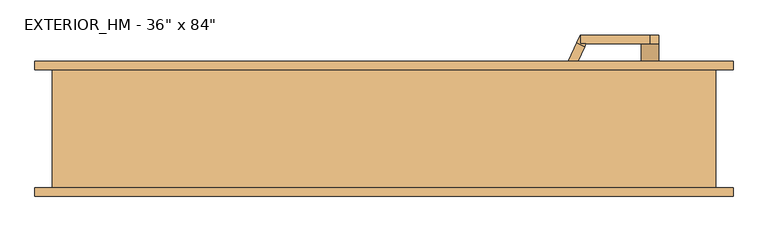
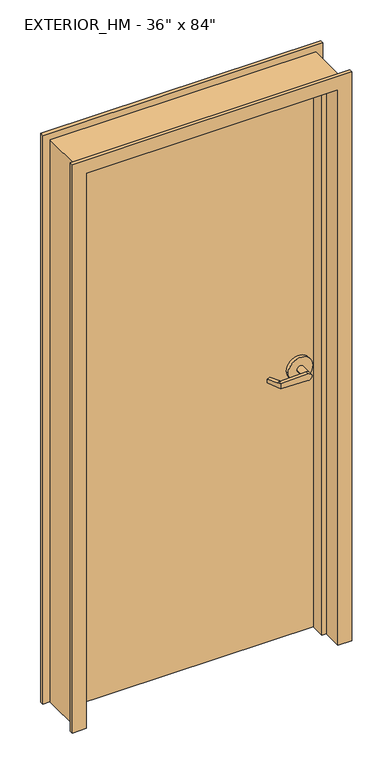
"""IFC4 building model written with IfcOpenShell, lengths in millimetres: door geometry."""

from ifc_helpers import new_model, si_unit, frame, origin, origin_with_axes, place, context, project, spatial, polyline, circle_curve, outline, extrude, faceted_brep, source, transform, mapped, element, save
from ifc_brep_helpers import plane_surface, cylinder_surface, advanced_brep


def door_41bbce32(model_context):
    return source(origin(), model_context, "Body", "SolidModel", [
        advanced_brep(
        [(291.892857, -18.0476392, 1006.475), (275.7911012, 16.4826875, 1009.65), (275.7911012, 16.4826875, 1022.35), (291.892857, -18.0476392, 1025.525), (293.8407923, -22.225, 1025.525), (293.8407923, -22.225, 1006.475), (285.75, -34.925, 1025.525), (280.3827481, -23.4148911, 1025.525), (264.2809923, 11.1154356, 1022.35), (264.2809923, 11.1154356, 1009.65), (280.3827481, -23.4148911, 1006.475), (285.75, -34.925, 1006.475), (285.75, -22.225, 1006.475), (285.75, -22.225, 1025.525), (386.9525418, -34.925, 1003.3062209), (386.9525418, -34.925, 1028.6937791), (386.9525418, -22.225, 1028.6937791), (374.65, -22.225, 1016.0), (386.9525418, -22.225, 1003.3062209), (400.05, -22.225, 1016.0), (400.05, 15.875, 1016.0), (374.65, 15.875, 1016.0), (431.8, 15.875, 1016.0), (342.9, 15.875, 1016.0), (431.8, 28.575, 1016.0), (342.9, 28.575, 1016.0)],
        [
            (0, 1),
            (1, 2),
            (2, 3),
            (3, 4),
            (4, 5),
            (5, 0),
            (6, 7),
            (7, 8),
            (8, 9),
            (9, 10),
            (10, 11),
            (11, 6),
            (10, 0),
            (5, 12),
            (12, 11),
            (9, 1),
            (8, 2),
            (7, 3),
            (6, 13),
            (13, 4),
            (11, 14),
            (14, 15, circle_curve(frame((387.35, -34.925, 1016.0), z_axis=(0.0, -1.0, 0.0), x_axis=(-1.0, 0.0, 0.0)), 12.7)),
            (15, 6),
            (13, 16),
            (16, 17, circle_curve(frame((387.35, -22.225, 1016.0), z_axis=(0.0, -1.0, 0.0), x_axis=(-1.0, 0.0, 0.0)), 12.7)),
            (17, 18, circle_curve(frame((387.35, -22.225, 1016.0), z_axis=(0.0, -1.0, 0.0), x_axis=(-1.0, 0.0, 0.0)), 12.7)),
            (18, 12),
            (18, 14),
            (18, 19, circle_curve(frame((387.35, -22.225, 1016.0), z_axis=(0.0, -1.0, 0.0), x_axis=(-1.0, 0.0, 0.0)), 12.7)),
            (19, 16, circle_curve(frame((387.35, -22.225, 1016.0), z_axis=(0.0, -1.0, 0.0), x_axis=(-1.0, 0.0, 0.0)), 12.7)),
            (16, 15),
            (19, 20),
            (20, 21, circle_curve(frame((387.35, 15.875, 1016.0), z_axis=(0.0, -1.0, 0.0), x_axis=(-1.0, 0.0, 0.0)), 12.7)),
            (21, 17),
            (21, 20, circle_curve(frame((387.35, 15.875, 1016.0), z_axis=(0.0, -1.0, 0.0), x_axis=(-1.0, 0.0, 0.0)), 12.7)),
            (22, 23, circle_curve(frame((387.35, 15.875, 1016.0), z_axis=(0.0, -1.0, 0.0), x_axis=(-1.0, 0.0, 0.0)), 44.45)),
            (23, 22, circle_curve(frame((387.35, 15.875, 1016.0), z_axis=(0.0, -1.0, 0.0), x_axis=(-1.0, 0.0, 0.0)), 44.45)),
            (24, 25, circle_curve(frame((387.35, 28.575, 1016.0), z_axis=(0.0, 1.0, 0.0), x_axis=(-1.0, 0.0, 0.0)), 44.45)),
            (25, 24, circle_curve(frame((387.35, 28.575, 1016.0), z_axis=(0.0, 1.0, 0.0), x_axis=(-1.0, 0.0, 0.0)), 44.45)),
            (22, 24),
            (25, 23),
        ],
        [
            plane_surface(frame((297.2601089, -29.5577481, 1006.475), z_axis=(0.9063077870366494, 0.4226182617407007, 0.0), x_axis=(0.0, 0.0, -1.0))),
            plane_surface(frame((285.75, -34.925, 1006.475), z_axis=(-0.9063077870366494, -0.4226182617407007, 0.0), x_axis=(0.0, 0.0, 1.0))),
            plane_surface(frame((297.2601089, -29.5577481, 1006.475), z_axis=(0.0, 0.0, -1.0000000000000002), x_axis=(-0.9063077870366494, -0.42261826174070094, 0.0))),
            plane_surface(frame((291.892857, -18.0476392, 1006.475), z_axis=(-0.035096536341209586, 0.07526476506963879, -0.9965457582448799), x_axis=(-0.9063077870366494, -0.42261826174070094, 0.0))),
            plane_surface(frame((275.7911012, 16.4826875, 1009.65), z_axis=(-0.42261826174070094, 0.9063077870366494, 0.0), x_axis=(-0.9063077870366494, -0.42261826174070094, 0.0))),
            plane_surface(frame((275.7911012, 16.4826875, 1022.35), z_axis=(-0.03509653634121044, 0.07526476506964089, 0.9965457582448796), x_axis=(-0.9063077870366495, -0.42261826174070033, 0.0))),
            plane_surface(frame((291.892857, -18.0476392, 1025.525), z_axis=(0.0, 0.0, 1.0000000000000002), x_axis=(-0.9063077870366494, -0.42261826174070094, 0.0))),
            plane_surface(frame((285.75, -34.925, 1006.475), z_axis=(0.0, -1.0, 0.0), x_axis=(0.9995101626549141, 0.0, -0.03129592225110647))),
            plane_surface(frame((285.75, -22.225, 1006.475), z_axis=(0.0, 1.0, 0.0), x_axis=(-0.9995101626549141, 0.0, 0.03129592225110647))),
            plane_surface(frame((285.75, -34.925, 1006.475), z_axis=(-0.03129592225110647, 0.0, -0.9995101626549141), x_axis=(0.0, 1.0, 0.0))),
            cylinder_surface(frame((387.35, -22.225, 1016.0), z_axis=(0.0, -1.0, 0.0), x_axis=(-1.0, 0.0, 0.0)), 12.7),
            plane_surface(frame((386.9525418, -34.925, 1028.6937791), z_axis=(-0.03129592225110282, 0.0, 0.9995101626549142), x_axis=(0.0, 1.0, 0.0))),
            cylinder_surface(frame((387.35, 15.875, 1016.0), z_axis=(0.0, -1.0, 0.0), x_axis=(-1.0, 0.0, 0.0)), 12.7),
            plane_surface(frame((342.9, 15.875, 1016.0), z_axis=(0.0, -1.0, 0.0), x_axis=(0.0, 0.0, -1.0))),
            plane_surface(frame((342.9, 28.575, 1016.0), z_axis=(0.0, 1.0, 0.0), x_axis=(0.0, 0.0, 1.0))),
            cylinder_surface(frame((387.35, 28.575, 1016.0), z_axis=(0.0, -1.0, 0.0), x_axis=(-1.0, 0.0, 0.0)), 44.45),
        ],
        [
            (0, [[1, 2, 3, 4, 5, 6]]),
            (1, [[7, 8, 9, 10, 11, 12]]),
            (2, [[-11, 13, -6, 14, 15]]),
            (3, [[-1, -13, -10, 16]]),
            (4, [[-2, -16, -9, 17]]),
            (5, [[-3, -17, -8, 18]]),
            (6, [[-7, 19, 20, -4, -18]]),
            (7, [[21, 22, 23, -12]]),
            (8, [[24, 25, 26, 27, -14, -5, -20]]),
            (9, [[-21, -15, -27, 28]]),
            (10, [[-22, -28, 29, 30, 31]]),
            (11, [[-23, -31, -24, -19]]),
            (12, [[32, 33, 34, -25, -30]]),
            (12, [[-32, -29, -26, -34, 35]]),
            (13, [[36, 37], [-33, -35]]),
            (14, [[38, 39]]),
            (15, [[-36, 40, -39, 41]]),
            (15, [[-37, -41, -38, -40]]),
        ],
    ),
        advanced_brep(
        [(291.892857, 119.6476392, 1025.525), (275.7911012, 85.1173125, 1022.35), (275.7911012, 85.1173125, 1009.65), (291.892857, 119.6476392, 1006.475), (293.8407923, 123.825, 1006.475), (293.8407923, 123.825, 1025.525), (285.75, 136.525, 1006.475), (280.3827481, 125.0148911, 1006.475), (264.2809923, 90.4845644, 1009.65), (264.2809923, 90.4845644, 1022.35), (280.3827481, 125.0148911, 1025.525), (285.75, 136.525, 1025.525), (285.75, 123.825, 1025.525), (285.75, 123.825, 1006.475), (386.9525418, 136.525, 1028.6937791), (386.9525418, 136.525, 1003.3062209), (386.9525418, 123.825, 1003.3062209), (374.65, 123.825, 1016.0), (386.9525418, 123.825, 1028.6937791), (400.05, 123.825, 1016.0), (400.05, 85.725, 1016.0), (374.65, 85.725, 1016.0), (431.8, 85.725, 1016.0), (342.9, 85.725, 1016.0), (431.8, 73.025, 1016.0), (342.9, 73.025, 1016.0)],
        [
            (0, 1),
            (1, 2),
            (2, 3),
            (3, 4),
            (4, 5),
            (5, 0),
            (6, 7),
            (7, 8),
            (8, 9),
            (9, 10),
            (10, 11),
            (11, 6),
            (10, 0),
            (5, 12),
            (12, 11),
            (9, 1),
            (8, 2),
            (7, 3),
            (6, 13),
            (13, 4),
            (11, 14),
            (14, 15, circle_curve(frame((387.35, 136.525, 1016.0), z_axis=(0.0, 1.0, 0.0), x_axis=(-1.0, 0.0, 0.0)), 12.7)),
            (15, 6),
            (13, 16),
            (16, 17, circle_curve(frame((387.35, 123.825, 1016.0), z_axis=(0.0, 1.0, 0.0), x_axis=(-1.0, 0.0, 0.0)), 12.7)),
            (17, 18, circle_curve(frame((387.35, 123.825, 1016.0), z_axis=(0.0, 1.0, 0.0), x_axis=(-1.0, 0.0, 0.0)), 12.7)),
            (18, 12),
            (18, 14),
            (18, 19, circle_curve(frame((387.35, 123.825, 1016.0), z_axis=(0.0, 1.0, 0.0), x_axis=(-1.0, 0.0, 0.0)), 12.7)),
            (19, 16, circle_curve(frame((387.35, 123.825, 1016.0), z_axis=(0.0, 1.0, 0.0), x_axis=(-1.0, 0.0, 0.0)), 12.7)),
            (16, 15),
            (19, 20),
            (20, 21, circle_curve(frame((387.35, 85.725, 1016.0), z_axis=(0.0, 1.0, 0.0), x_axis=(-1.0, 0.0, 0.0)), 12.7)),
            (21, 17),
            (21, 20, circle_curve(frame((387.35, 85.725, 1016.0), z_axis=(0.0, 1.0, 0.0), x_axis=(-1.0, 0.0, 0.0)), 12.7)),
            (22, 23, circle_curve(frame((387.35, 85.725, 1016.0), z_axis=(0.0, 1.0, 0.0), x_axis=(-1.0, 0.0, 0.0)), 44.45)),
            (23, 22, circle_curve(frame((387.35, 85.725, 1016.0), z_axis=(0.0, 1.0, 0.0), x_axis=(-1.0, 0.0, 0.0)), 44.45)),
            (24, 25, circle_curve(frame((387.35, 73.025, 1016.0), z_axis=(0.0, -1.0, 0.0), x_axis=(-1.0, 0.0, 0.0)), 44.45)),
            (25, 24, circle_curve(frame((387.35, 73.025, 1016.0), z_axis=(0.0, -1.0, 0.0), x_axis=(-1.0, 0.0, 0.0)), 44.45)),
            (22, 24),
            (25, 23),
        ],
        [
            plane_surface(frame((297.2601089, 131.1577481, 1025.525), z_axis=(0.9063077870366494, -0.4226182617407007, 0.0), x_axis=(0.0, 0.0, 1.0))),
            plane_surface(frame((285.75, 136.525, 1025.525), z_axis=(-0.9063077870366494, 0.4226182617407007, 0.0), x_axis=(0.0, 0.0, -1.0))),
            plane_surface(frame((297.2601089, 131.1577481, 1025.525), z_axis=(0.0, 0.0, 1.0000000000000002), x_axis=(-0.9063077870366494, 0.42261826174070094, 0.0))),
            plane_surface(frame((291.892857, 119.6476392, 1025.525), z_axis=(-0.03509653634120952, -0.07526476506963879, 0.9965457582448799), x_axis=(-0.9063077870366494, 0.42261826174070094, 0.0))),
            plane_surface(frame((275.7911012, 85.1173125, 1022.35), z_axis=(-0.42261826174070094, -0.9063077870366494, 0.0), x_axis=(-0.9063077870366494, 0.42261826174070094, 0.0))),
            plane_surface(frame((275.7911012, 85.1173125, 1009.65), z_axis=(-0.03509653634121051, -0.07526476506964089, -0.9965457582448796), x_axis=(-0.9063077870366495, 0.42261826174070033, 0.0))),
            plane_surface(frame((291.892857, 119.6476392, 1006.475), z_axis=(0.0, 0.0, -1.0000000000000002), x_axis=(-0.9063077870366494, 0.42261826174070094, 0.0))),
            plane_surface(frame((285.75, 136.525, 1025.525), z_axis=(0.0, 1.0, 0.0), x_axis=(0.9995101626549141, 0.0, 0.0312959222511064))),
            plane_surface(frame((285.75, 123.825, 1025.525), z_axis=(0.0, -1.0, 0.0), x_axis=(-0.9995101626549141, 0.0, -0.0312959222511064))),
            plane_surface(frame((285.75, 136.525, 1025.525), z_axis=(-0.0312959222511064, 0.0, 0.9995101626549141), x_axis=(0.0, -1.0, 0.0))),
            cylinder_surface(frame((387.35, 123.825, 1016.0), z_axis=(0.0, 1.0, 0.0), x_axis=(-1.0, 0.0, 0.0)), 12.7),
            plane_surface(frame((386.9525418, 136.525, 1003.3062209), z_axis=(-0.03129592225110289, 0.0, -0.9995101626549142), x_axis=(0.0, -1.0, 0.0))),
            cylinder_surface(frame((387.35, 85.725, 1016.0), z_axis=(0.0, 1.0, 0.0), x_axis=(-1.0, 0.0, 0.0)), 12.7),
            plane_surface(frame((342.9, 85.725, 1016.0), z_axis=(0.0, 1.0, 0.0), x_axis=(0.0, 0.0, 1.0))),
            plane_surface(frame((342.9, 73.025, 1016.0), z_axis=(0.0, -1.0, 0.0), x_axis=(0.0, 0.0, -1.0))),
            cylinder_surface(frame((387.35, 73.025, 1016.0), z_axis=(0.0, 1.0, 0.0), x_axis=(-1.0, 0.0, 0.0)), 44.45),
        ],
        [
            (0, [[1, 2, 3, 4, 5, 6]]),
            (1, [[7, 8, 9, 10, 11, 12]]),
            (2, [[-11, 13, -6, 14, 15]]),
            (3, [[-1, -13, -10, 16]]),
            (4, [[-2, -16, -9, 17]]),
            (5, [[-3, -17, -8, 18]]),
            (6, [[-7, 19, 20, -4, -18]]),
            (7, [[21, 22, 23, -12]]),
            (8, [[24, 25, 26, 27, -14, -5, -20]]),
            (9, [[-21, -15, -27, 28]]),
            (10, [[-22, -28, 29, 30, 31]]),
            (11, [[-23, -31, -24, -19]]),
            (12, [[32, 33, 34, -25, -30]]),
            (12, [[-32, -29, -26, -34, 35]]),
            (13, [[36, 37], [-33, -35]]),
            (14, [[38, 39]]),
            (15, [[-36, 40, -39, 41]]),
            (15, [[-37, -41, -38, -40]]),
        ],
    ),
        extrude(outline(polyline([(-457.2, 73.025), (457.2, 73.025), (457.2, 28.575), (-457.2, 28.575), (-457.2, 73.025)])), origin_with_axes(), (0.0, 0.0, 1.0), 2133.6),
        faceted_brep([(-457.2, 98.425, 0.0), (-457.2, 25.2662566, 0.0), (-441.325, 25.2662566, 0.0), (-441.325, -25.2662566, 0.0), (-457.2, -25.2662566, 0.0), (-457.2, -98.425, 0.0), (-508.0, -98.425, 0.0), (-508.0, -85.725, 0.0), (-482.6, -85.725, 0.0), (-482.6, 85.725, 0.0), (-508.0, 85.725, 0.0), (-508.0, 98.425, 0.0), (-457.2, 98.425, 2133.6), (-457.2, 25.2662566, 2133.6), (457.2, 25.2662566, 2133.6), (457.2, 25.2662566, 0.0), (441.325, 25.2662566, 0.0), (441.325, 25.2662566, 2117.725), (-441.325, 25.2662566, 2117.725), (-441.325, -25.2662566, 2117.725), (441.325, -25.2662566, 2117.725), (441.325, -25.2662566, 0.0), (457.2, -25.2662566, 0.0), (457.2, -25.2662566, 2133.6), (-457.2, -25.2662566, 2133.6), (-457.2, -98.425, 2133.6), (457.2, -98.425, 2133.6), (457.2, -98.425, 0.0), (508.0, -98.425, 0.0), (508.0, -98.425, 2184.4), (-508.0, -98.425, 2184.4), (-508.0, -85.725, 2184.4), (508.0, -85.725, 2184.4), (508.0, -85.725, 0.0), (482.6, -85.725, 0.0), (482.6, -85.725, 2159.0), (-482.6, -85.725, 2159.0), (-482.6, 85.725, 2159.0), (482.6, 85.725, 2159.0), (482.6, 85.725, 0.0), (508.0, 85.725, 0.0), (508.0, 85.725, 2184.4), (-508.0, 85.725, 2184.4), (-508.0, 98.425, 2184.4), (508.0, 98.425, 2184.4), (508.0, 98.425, 0.0), (457.2, 98.425, 0.0), (457.2, 98.425, 2133.6)], [[[0, 1, 2, 3, 4, 5, 6, 7, 8, 9, 10, 11]], [[1, 0, 12, 13]], [[2, 1, 13, 14, 15, 16, 17, 18]], [[3, 2, 18, 19]], [[4, 3, 19, 20, 21, 22, 23, 24]], [[5, 4, 24, 25]], [[6, 5, 25, 26, 27, 28, 29, 30]], [[7, 6, 30, 31]], [[8, 7, 31, 32, 33, 34, 35, 36]], [[9, 8, 36, 37]], [[10, 9, 37, 38, 39, 40, 41, 42]], [[11, 10, 42, 43]], [[0, 11, 43, 44, 45, 46, 47, 12]], [[14, 47, 46, 15]], [[46, 45, 40, 39, 34, 33, 28, 27, 22, 21, 16, 15]], [[20, 17, 16, 21]], [[26, 23, 22, 27]], [[32, 29, 28, 33]], [[38, 35, 34, 39]], [[44, 41, 40, 45]], [[13, 12, 47, 14]], [[19, 18, 17, 20]], [[25, 24, 23, 26]], [[31, 30, 29, 32]], [[37, 36, 35, 38]], [[43, 42, 41, 44]]]),
    ])


if __name__ == "__main__":
    model = new_model("IFC4")
    model_context = context("Model", 3, world=origin())
    ifc_project = project(units=[si_unit("LENGTHUNIT", "METRE", prefix="MILLI")], contexts=[model_context])
    site = spatial("IfcSite", under=ifc_project)
    building = spatial("IfcBuilding", under=site)
    placement = place(None, origin())
    door_shape = door_41bbce32(model_context)
    element("IfcDoor", 1, ObjectType="EXTERIOR_HM - 36\" x 84\"", at=placement, inside=building, context=model_context, shape_type="MappedRepresentation", body=[
        mapped(door_shape, transform((0.0, 0.0, 0.0), x_axis=(1.0, 0.0, 0.0), y_axis=(0.0, 1.0, 0.0), z_axis=(0.0, 0.0, 1.0))),
    ])
    save(model, "model.ifc")
